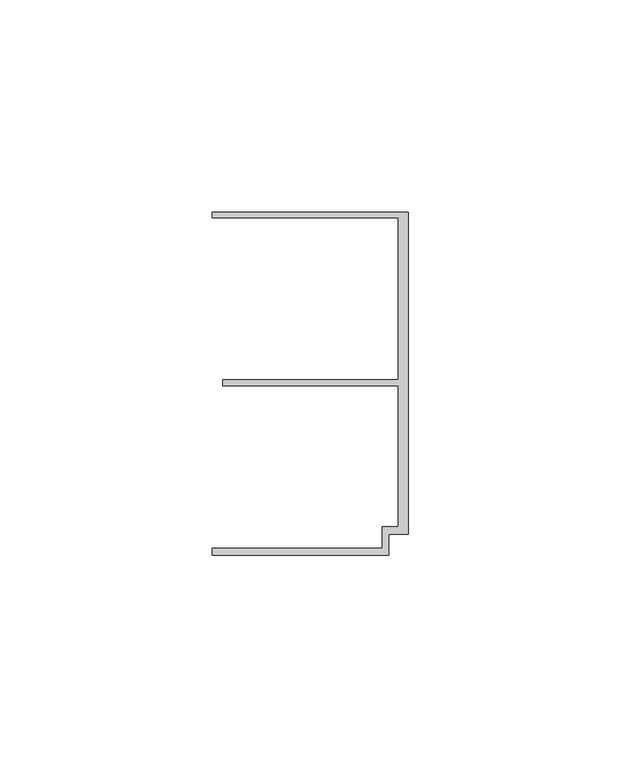
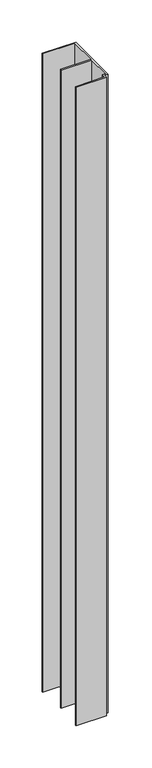
"""IFC4 building model written with IfcOpenShell, lengths in millimetres: member geometry."""

from ifc_helpers import new_model, si_unit, frame, origin, place, context, project, spatial, polyline, outline, extrude, source, transform, mapped, element, save


def member_62b7d516(model_context):
    return source(origin(), model_context, "Body", "SweptSolid", [
        extrude(outline(polyline([(-6.2, -33.95), (-2.4, -33.95), (-2.4, -0.75), (-43.8, -0.75), (-43.8, 0.75), (-2.4, 0.75), (-2.4, 38.95), (-46.3, 38.95), (-46.3, 40.25), (0.0, 40.25), (0.0, -35.75), (-4.6999992, -35.75), (-4.6999992, -40.65), (-46.3, -40.65), (-46.3, -38.95), (-6.2, -38.95), (-6.2, -33.95)])), frame((0.0, 0.0, -922.8602632), z_axis=(0.0, 0.0, 1.0), x_axis=(1.0, 0.0, 0.0)), (0.0, 0.0, 1.0), 922.8602632),
    ])


if __name__ == "__main__":
    model = new_model("IFC4")
    model_context = context("Model", 3, world=origin())
    ifc_project = project(units=[si_unit("LENGTHUNIT", "METRE", prefix="MILLI")], contexts=[model_context])
    site = spatial("IfcSite", under=ifc_project)
    building = spatial("IfcBuilding", under=site)
    placement = place(None, origin())
    member_shape = member_62b7d516(model_context)
    element("IfcMember", 1, at=placement, inside=building, context=model_context, shape_type="MappedRepresentation", body=[
        mapped(member_shape, transform((0.0, 0.0, 0.0), x_axis=(1.0, 0.0, 0.0), y_axis=(0.0, 1.0, 0.0), z_axis=(0.0, 0.0, 1.0))),
    ])
    save(model, "model.ifc")
